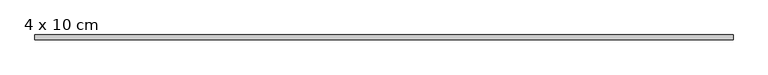
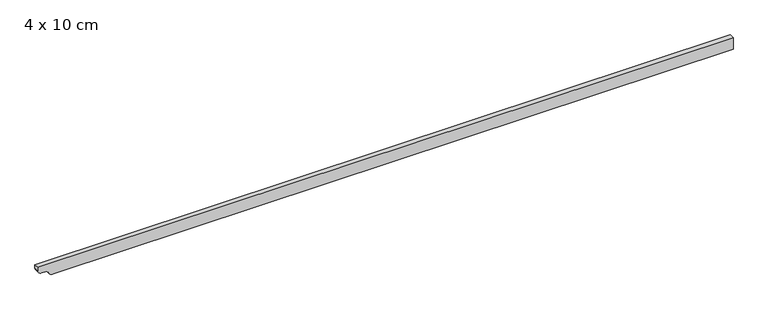
"""IFC4 building model written with IfcOpenShell, lengths in millimetres: beam geometry, 4 x 10 cm."""

from ifc_helpers import new_model, si_unit, point, frame, frame_2d, origin, place, context, project, spatial, polyline, circle_curve, trimmed, segment, composite_curve, outline, extrude, source, transform, mapped, element, save


def beam_4_x_10_cm_dda7eb59(model_context):
    return source(origin(), model_context, "Body", "SweptSolid", [
        extrude(outline(composite_curve([segment(polyline([(50.0, 2914.4233867), (50.0, -2954.1516328), (22.5, -2954.1516328)]), True, "CONTINUOUS"), segment(trimmed(circle_curve(frame_2d((22.5, -2921.6516328)), 32.5), [point((22.5, -2954.1516328))], [point((-10.0, -2921.6516328))], False, "CARTESIAN"), True, "CONTINUOUS"), segment(polyline([(-10.0, -2921.6516328), (-10.0, -2890.6414276)]), True, "CONTINUOUS"), segment(trimmed(circle_curve(frame_2d((-40.0, -2890.6414276)), 30.0), [point((-10.0, -2890.6414276))], [point((-34.0, -2861.2475507))], True, "CARTESIAN"), True, "CONTINUOUS"), segment(trimmed(circle_curve(frame_2d((-3.1535049, -2821.8966455)), 50.0), [point((-34.0, -2861.2475507))], [point((-53.1535049, -2821.8966455))], False, "CARTESIAN"), True, "CONTINUOUS"), segment(polyline([(-53.1535049, -2821.8966455), (-53.1535049, 2914.4233867), (50.0, 2914.4233867)]), True, "CONTINUOUS")], self_intersect=False)), frame((0.0, -20.0, 0.0), z_axis=(0.0, 1.0, 0.0), x_axis=(0.0, 0.0, 1.0)), (0.0, 0.0, 1.0), 40.0),
    ])


if __name__ == "__main__":
    model = new_model("IFC4")
    model_context = context("Model", 3, world=origin())
    ifc_project = project(units=[si_unit("LENGTHUNIT", "METRE", prefix="MILLI")], contexts=[model_context])
    site = spatial("IfcSite", under=ifc_project)
    building = spatial("IfcBuilding", under=site)
    placement = place(None, origin())
    beam_4_x_10_cm_shape = beam_4_x_10_cm_dda7eb59(model_context)
    element("IfcBeam", 1, ObjectType="4 x 10 cm", at=placement, inside=building, context=model_context, shape_type="MappedRepresentation", body=[
        mapped(beam_4_x_10_cm_shape, transform((0.0, 0.0, 0.0), x_axis=(1.0, 0.0, 0.0), y_axis=(0.0, 1.0, 0.0), z_axis=(0.0, 0.0, 1.0))),
    ])
    save(model, "model.ifc")
